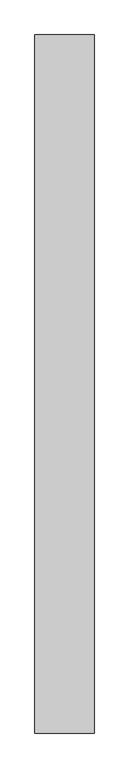
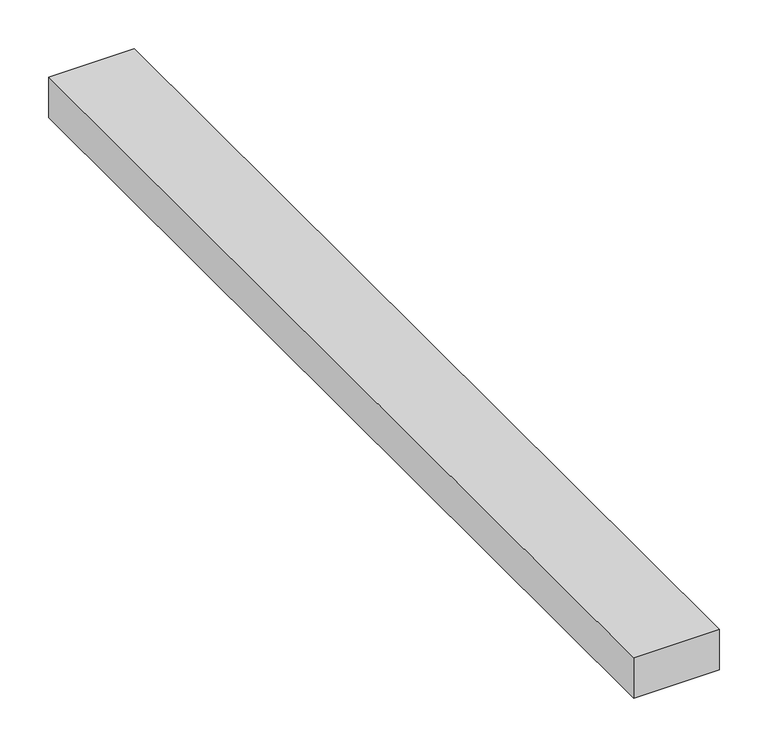
"""IFC4 building model written with IfcOpenShell, lengths in millimetres: proxy geometry."""

from ifc_helpers import new_model, si_unit, origin, origin_with_axes, place, context, project, spatial, polyline, outline, extrude, source, transform, mapped, element, save


def generic_models_1a01c88b(model_context):
    return source(origin(), model_context, "Body", "SweptSolid", [
        extrude(outline(polyline([(101.6, 0.0), (0.0, 0.0), (0.0, 1200.0), (101.6, 1200.0), (101.6, 0.0)])), origin_with_axes(), (0.0, 0.0, 1.0), 50.8),
    ])


if __name__ == "__main__":
    model = new_model("IFC4")
    model_context = context("Model", 3, world=origin())
    ifc_project = project(units=[si_unit("LENGTHUNIT", "METRE", prefix="MILLI")], contexts=[model_context])
    site = spatial("IfcSite", under=ifc_project)
    building = spatial("IfcBuilding", under=site)
    placement = place(None, origin())
    generic_models_shape = generic_models_1a01c88b(model_context)
    element("IfcBuildingElementProxy", 1, Name="Generic Models", at=placement, inside=building, context=model_context, shape_type="MappedRepresentation", body=[
        mapped(generic_models_shape, transform((0.0, 0.0, 0.0), x_axis=(1.0, 0.0, 0.0), y_axis=(0.0, 1.0, 0.0), z_axis=(0.0, 0.0, 1.0))),
    ])
    save(model, "model.ifc")
